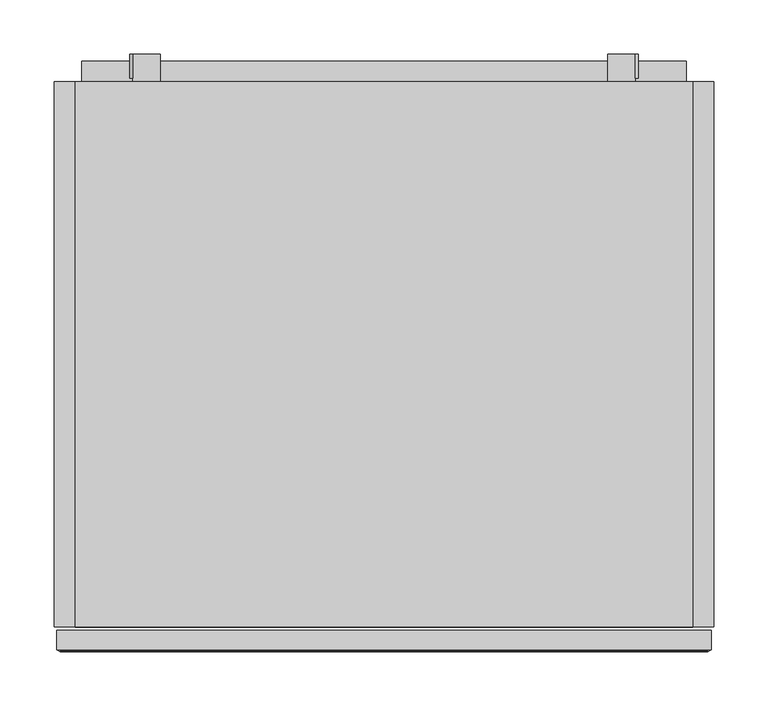
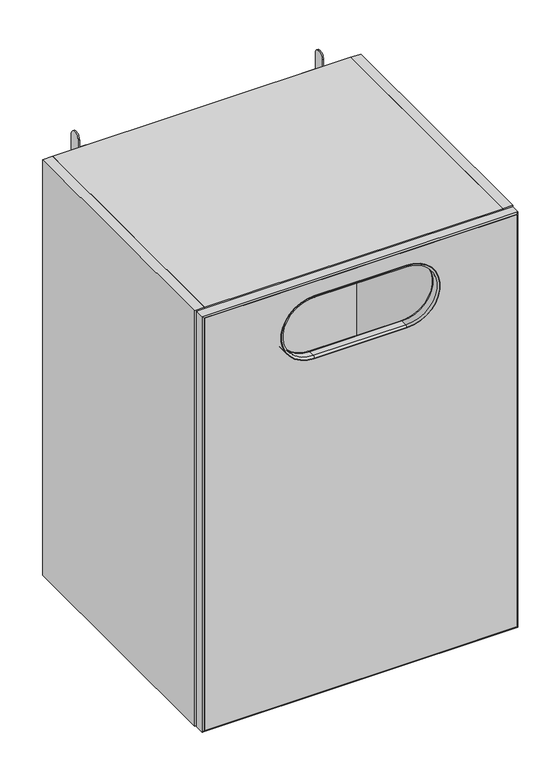
"""IFC4 building model written with IfcOpenShell, lengths in millimetres: furniture geometry."""

import ifcopenshell
import ifcopenshell.guid

model = None  # the IFC model being written
_history = None  # IfcOwnerHistory: only IFC2X3 demands one
_inside = {}  # id of a spatial element -> (the spatial element, [elements in it])
_under = {}  # id of a project, library or spatial element -> (it, [spatial elements below it])
_declared = {}  # id of a project -> (the project, [libraries it declares])
_typed = {}  # id of a type object -> (the type object, [elements of that type])
_made_of = {}  # id of a material, layer set ... -> (it, [elements and type objects made of it])


def new_model(schema):
    """Start an empty IFC model of exactly this schema.

    Asked for "IFC4X3", IfcOpenShell would pick the latest addendum, in which some entities
    have other attributes; the version numbers below select the first issue.
    IFC2X3 requires an IfcOwnerHistory on every rooted entity: one is made here for all.
    """
    global model, _history
    if schema == "IFC4X3":
        model = ifcopenshell.file(schema_version=(4, 3, 0, 0))
    else:
        model = ifcopenshell.file(schema=schema)
    _inside.clear()
    _under.clear()
    _declared.clear()
    _typed.clear()
    _made_of.clear()
    _history = None
    if model.schema == "IFC2X3":
        org = make("IfcOrganization", Name="unknown")
        user = make(
            "IfcPersonAndOrganization",
            ThePerson=make("IfcPerson", FamilyName="unknown"),
            TheOrganization=org,
        )
        app = make(
            "IfcApplication",
            ApplicationDeveloper=org,
            Version="unknown",
            ApplicationFullName="unknown",
            ApplicationIdentifier="unknown",
        )
        _history = make(
            "IfcOwnerHistory",
            OwningUser=user,
            OwningApplication=app,
            ChangeAction="ADDED",
            CreationDate=0,
        )
    return model


def make(cls, **values):
    """One entity of the class cls with the attributes given. An attribute that is None is left unset."""
    return model.create_entity(
        cls, **{name: value for name, value in values.items() if value is not None}
    )


def rooted(cls, **values):
    """An entity with a GlobalId (a new one), such as an element, a storey or a relation."""
    return make(cls, GlobalId=ifcopenshell.guid.new(), OwnerHistory=_history, **values)


def si_unit(unit_type, name, prefix=None):
    """IfcSIUnit, for example si_unit("LENGTHUNIT", "METRE", prefix="MILLI")."""
    return make("IfcSIUnit", UnitType=unit_type, Prefix=prefix, Name=name)


def assignment(units):
    """IfcUnitAssignment: the units of a project."""
    return None if units is None else make("IfcUnitAssignment", Units=units)


def point(xyz):
    """IfcCartesianPoint."""
    return None if xyz is None else make("IfcCartesianPoint", Coordinates=xyz)


def direction(xyz):
    """IfcDirection."""
    return None if xyz is None else make("IfcDirection", DirectionRatios=xyz)


def frame(location, z_axis=None, x_axis=None):
    """IfcAxis2Placement3D, a coordinate frame: its origin and axes. An axis left out is left unset."""
    return make(
        "IfcAxis2Placement3D",
        Location=point(location),
        Axis=direction(z_axis),
        RefDirection=direction(x_axis),
    )


def frame_2d(location, x_axis=None):
    """IfcAxis2Placement2D, a coordinate frame in the plane: its origin and x axis."""
    return make(
        "IfcAxis2Placement2D", Location=point(location), RefDirection=direction(x_axis)
    )


def origin():
    """The frame at (0, 0, 0) with its axes left unset."""
    return frame((0.0, 0.0, 0.0))


def place(relative_to, where):
    """IfcLocalPlacement: puts the frame where relative to a parent placement (None: the world)."""
    return make(
        "IfcLocalPlacement", PlacementRelTo=relative_to, RelativePlacement=where
    )


def context(
    kind, dimensions, precision=None, world=None, true_north=None, identifier=None
):
    """IfcGeometricRepresentationContext, for example the 3D "Model" context."""
    return make(
        "IfcGeometricRepresentationContext",
        ContextIdentifier=identifier,
        ContextType=kind,
        CoordinateSpaceDimension=dimensions,
        Precision=precision,
        WorldCoordinateSystem=world,
        TrueNorth=true_north,
    )


def project(units=None, contexts=None):
    """IfcProject with its units and contexts."""
    return rooted(
        "IfcProject",
        Name="project",
        RepresentationContexts=contexts,
        UnitsInContext=assignment(units),
    )


def spatial(cls, under=None, at=None, **own):
    """A site, building, storey or space (cls), placed at a placement, below another one or the project."""
    s = rooted(cls, ObjectPlacement=at, **own)
    if under is not None:
        _under.setdefault(under.id(), (under, []))[1].append(s)
    return s


def polyline(points):
    """IfcPolyline through the points."""
    return make("IfcPolyline", Points=[point(p) for p in points])


def circle_curve(where, radius):
    """IfcCircle in the frame where."""
    return make("IfcCircle", Position=where, Radius=radius)


def ellipse_curve(where, semi_axis1, semi_axis2):
    """IfcEllipse in the frame where."""
    return make(
        "IfcEllipse", Position=where, SemiAxis1=semi_axis1, SemiAxis2=semi_axis2
    )


def trimmed(basis, trim1, trim2, sense, master):
    """IfcTrimmedCurve: the piece of a basis curve between two trims."""
    return make(
        "IfcTrimmedCurve",
        BasisCurve=basis,
        Trim1=trim1,
        Trim2=trim2,
        SenseAgreement=sense,
        MasterRepresentation=master,
    )


def segment(curve, same_sense, transition):
    """IfcCompositeCurveSegment."""
    return make(
        "IfcCompositeCurveSegment",
        Transition=transition,
        SameSense=same_sense,
        ParentCurve=curve,
    )


def composite_curve(segments, self_intersect=None):
    """IfcCompositeCurve: segments joined end to end."""
    return make("IfcCompositeCurve", Segments=segments, SelfIntersect=self_intersect)


def outline(outer, holes=None, kind="AREA"):
    """IfcArbitraryClosedProfileDef: a profile drawn as a closed curve; with holes, ...WithVoids."""
    if holes is None:
        return make("IfcArbitraryClosedProfileDef", ProfileType=kind, OuterCurve=outer)
    return make(
        "IfcArbitraryProfileDefWithVoids",
        ProfileType=kind,
        OuterCurve=outer,
        InnerCurves=holes,
    )


def extrude(swept, where, along, depth):
    """IfcExtrudedAreaSolid: the profile swept, set in the frame where, extruded along a direction by depth."""
    return make(
        "IfcExtrudedAreaSolid",
        SweptArea=swept,
        Position=where,
        ExtrudedDirection=direction(along),
        Depth=depth,
    )


def faces_of(points, faces, orient=None, outer=None):
    """IfcFace entities. A face is a list of loops; a loop is a list of indices into points, from 0.

    orient and outer hold one flag for each loop. By default every Orientation is true, the
    first loop of a face is its IfcFaceOuterBound and the others are IfcFaceBound.
    """
    made = []
    for i, loops in enumerate(faces):
        bounds = []
        for j, loop in enumerate(loops):
            is_outer = j == 0 if outer is None else outer[i][j]
            bounds.append(
                make(
                    "IfcFaceOuterBound" if is_outer else "IfcFaceBound",
                    Bound=make("IfcPolyLoop", Polygon=[points[k] for k in loop]),
                    Orientation=True if orient is None else orient[i][j],
                )
            )
        made.append(make("IfcFace", Bounds=bounds))
    return made


def faceted_brep(points, faces, orient=None, outer=None, voids=None):
    """IfcFacetedBrep: a solid bounded by flat faces; with voids (closed shells), ...WithVoids."""
    shared = [point(p) for p in points]
    hull = make("IfcClosedShell", CfsFaces=faces_of(shared, faces, orient, outer))
    if voids is None:
        return make("IfcFacetedBrep", Outer=hull)
    return make(
        "IfcFacetedBrepWithVoids",
        Outer=hull,
        Voids=[
            make(cls, CfsFaces=faces_of(shared, fs, o, b)) for cls, fs, o, b in voids
        ],
    )


def shape(context_of_items, identifier, shape_type, items):
    """IfcShapeRepresentation: the items that make up one representation, for example the "Body"."""
    return make(
        "IfcShapeRepresentation",
        ContextOfItems=context_of_items,
        RepresentationIdentifier=identifier,
        RepresentationType=shape_type,
        Items=items,
    )


def source(mapping_origin, context_of_items, identifier, shape_type, items):
    """IfcRepresentationMap: a shape defined once, which mapped items show again and again."""
    return make(
        "IfcRepresentationMap",
        MappingOrigin=mapping_origin,
        MappedRepresentation=shape(context_of_items, identifier, shape_type, items),
    )


def transform(
    local_origin,
    x_axis=None,
    y_axis=None,
    z_axis=None,
    scale=None,
    scale2=None,
    scale3=None,
    uniform=True,
):
    """IfcCartesianTransformationOperator3D, or its non-uniform kind. x_axis, y_axis, z_axis: its Axis1, 2, 3."""
    if uniform:
        return make(
            "IfcCartesianTransformationOperator3D",
            Axis1=direction(x_axis),
            Axis2=direction(y_axis),
            LocalOrigin=point(local_origin),
            Scale=scale,
            Axis3=direction(z_axis),
        )
    return make(
        "IfcCartesianTransformationOperator3DnonUniform",
        Axis1=direction(x_axis),
        Axis2=direction(y_axis),
        LocalOrigin=point(local_origin),
        Scale=scale,
        Axis3=direction(z_axis),
        Scale2=scale2,
        Scale3=scale3,
    )


def mapped(mapping_source, mapping_target):
    """IfcMappedItem: shows the shape of a source again, moved by a transform."""
    return make(
        "IfcMappedItem", MappingSource=mapping_source, MappingTarget=mapping_target
    )


def made_of(thing, what):
    """Note that an element or type object is made of a material, layer set ...; save() writes the relation."""
    if what is not None:
        _made_of.setdefault(what.id(), (what, []))[1].append(thing)
    return thing


def element(
    cls,
    number,
    at=None,
    inside=None,
    cuts=None,
    type_object=None,
    material=None,
    context=None,
    identifier="Body",
    shape_type=None,
    held_by="IfcProductDefinitionShape",
    body=None,
    shapes=None,
    **own,
):
    """One element of the class cls, such as IfcWall. Its Tag is "e" and its number.

    at: its placement. inside: the storey or other place that contains it. cuts: it is an
    opening in that element (IfcRelVoidsElement). A single representation is given by context,
    identifier, shape_type and body (its items); several are given by shapes. held_by: the class
    of the entity that holds the representations. save() writes the other relations.
    """
    e = rooted(cls, Tag="e%d" % number, ObjectPlacement=at, **own)
    if body is not None:
        shapes = [shape(context, identifier, shape_type, body)]
    if shapes is not None:
        e.Representation = make(held_by, Representations=shapes)
    if inside is not None:
        _inside.setdefault(inside.id(), (inside, []))[1].append(e)
    if cuts is not None:
        rooted(
            "IfcRelVoidsElement", RelatingBuildingElement=cuts, RelatedOpeningElement=e
        )
    if type_object is not None:
        _typed.setdefault(type_object.id(), (type_object, []))[1].append(e)
    return made_of(e, material)


def aggregate(whole, parts):
    """IfcRelAggregates: a whole, such as a stair, and the parts it consists of."""
    return rooted("IfcRelAggregates", RelatingObject=whole, RelatedObjects=parts)


def save(model, path):
    """Write the relations noted so far, then the file.

    IfcRelAggregates (storeys below a building ...), IfcRelContainedInSpatialStructure (elements
    in a storey), IfcRelDefinesByType, IfcRelAssociatesMaterial and IfcRelDeclares: one each for
    every whole, place, type object, material and project.
    """
    for whole, parts in _under.values():
        aggregate(whole, parts)
    for where, things in _inside.values():
        rooted(
            "IfcRelContainedInSpatialStructure",
            RelatedElements=things,
            RelatingStructure=where,
        )
    for kind, things in _typed.values():
        rooted("IfcRelDefinesByType", RelatedObjects=things, RelatingType=kind)
    for what, things in _made_of.values():
        rooted("IfcRelAssociatesMaterial", RelatedObjects=things, RelatingMaterial=what)
    for by, libraries in _declared.values():
        rooted("IfcRelDeclares", RelatingContext=by, RelatedDefinitions=libraries)
    model.write(path)


def plane_surface(at):
    """IfcPlane: the flat surface through the origin of the frame at, square to its z axis."""
    return make("IfcPlane", Position=at)


def cylinder_surface(at, radius):
    """IfcCylindricalSurface: all points at the distance radius from the z axis of the frame at."""
    return make("IfcCylindricalSurface", Position=at, Radius=radius)


def revolved_surface(curve, axis_point, axis_direction):
    """IfcSurfaceOfRevolution: the curve turned about the line through axis_point along axis_direction."""
    return make(
        "IfcSurfaceOfRevolution",
        SweptCurve=make("IfcArbitraryOpenProfileDef", ProfileType="CURVE", Curve=curve),
        AxisPosition=make("IfcAxis1Placement", Location=point(axis_point), Axis=direction(axis_direction)),
    )


def advanced_brep(points, edges, surfaces, faces):
    """IfcAdvancedBrep: a solid bounded by faces that lie on surfaces and meet in shared edges.

    An edge is (start, end): straight between two places in points (the first is 0);
    or (start, end, curve); or (start, end, curve, False) where it runs against its curve.
    A face is (place in surfaces, loops), or (place, loops, False) where it looks against
    its surface's normal. A loop lists edges by number (the first is 1), with a minus sign
    where the edge is run from its end to its start. The first loop is the outer one.
    """
    corners = [point(p) for p in points]
    vertices = [make("IfcVertexPoint", VertexGeometry=c) for c in corners]
    made = []
    for start, end, *more in edges:
        made.append(
            make(
                "IfcEdgeCurve",
                EdgeStart=vertices[start],
                EdgeEnd=vertices[end],
                EdgeGeometry=more[0] if more else make("IfcPolyline", Points=[corners[start], corners[end]]),
                SameSense=more[1] if len(more) > 1 else True,
            )
        )
    hull = []
    for where, loops, *sense in faces:
        bounds = []
        for j, loop in enumerate(loops):
            ring = [make("IfcOrientedEdge", EdgeElement=made[abs(k) - 1], Orientation=k > 0) for k in loop]
            bounds.append(
                make(
                    "IfcFaceOuterBound" if j == 0 else "IfcFaceBound",
                    Bound=make("IfcEdgeLoop", EdgeList=ring),
                    Orientation=True,
                )
            )
        hull.append(make("IfcAdvancedFace", Bounds=bounds, FaceSurface=surfaces[where], SameSense=sense[0] if sense else True))
    return make("IfcAdvancedBrep", Outer=make("IfcClosedShell", CfsFaces=hull))


def furniture_63a706bb(model_context):
    return source(origin(), model_context, "Body", "SolidModel", [
        advanced_brep(
        [(165.0999758, -510.7435387, 904.60767), (165.0999758, -510.7435387, 786.6360832), (165.0999758, -507.4920005, 783.384545), (165.0999758, -507.4920005, 907.8592082), (165.0999758, -523.7984618, 904.60767), (165.0999758, -523.7984618, 786.6360832), (165.0999758, -527.05, 907.8592082), (165.0999758, -527.05, 783.384545), (165.0999758, -507.4920005, 909.1218751), (165.0999758, -507.4920005, 782.1218781), (165.0999758, -527.05, 782.1218781), (165.0999758, -527.05, 909.1218751), (342.8999758, -507.4920005, 907.8592082), (342.8999758, -510.7435387, 904.60767), (342.8999758, -523.7984618, 904.60767), (342.8999758, -527.05, 907.8592082), (342.8999758, -527.05, 909.1218751), (342.8999758, -507.4920005, 909.1218751), (342.8999758, -510.7435387, 786.6360832), (342.8999758, -507.4920005, 783.384545), (342.8999758, -523.7984618, 786.6360832), (342.8999758, -527.05, 783.384545), (342.8999758, -507.4920005, 782.1218781), (342.8999758, -527.05, 782.1218781)],
        [
            (0, 1, circle_curve(frame((165.0999758, -510.7435387, 845.6218766), z_axis=(0.0, -1.0, 0.0), x_axis=(0.0, 0.0, -1.0)), 58.9857934)),
            (1, 2, circle_curve(frame((165.0999758, -510.7435387, 783.384545), z_axis=(-1.0, 0.0, 0.0), x_axis=(0.0, -1.0, 0.0)), 3.2515382)),
            (2, 3, circle_curve(frame((165.0999758, -507.4920005, 845.6218766), z_axis=(0.0, 1.0, 0.0), x_axis=(0.0, 0.0, -1.0)), 62.2373316)),
            (3, 0, circle_curve(frame((165.0999758, -510.7435387, 907.8592082), z_axis=(-1.0, 0.0, 0.0), x_axis=(0.0, -1.0, 0.0)), 3.2515382)),
            (4, 5, circle_curve(frame((165.0999758, -523.7984618, 845.6218766), z_axis=(0.0, -1.0, 0.0), x_axis=(0.0, 0.0, -1.0)), 58.9857934)),
            (5, 1),
            (0, 4),
            (6, 7, circle_curve(frame((165.0999758, -527.05, 845.6218766), z_axis=(0.0, -1.0, 0.0), x_axis=(0.0, 0.0, -1.0)), 62.2373316)),
            (7, 5, circle_curve(frame((165.0999758, -523.7984618, 783.384545), z_axis=(-1.0, 0.0, 0.0), x_axis=(0.0, -1.0, 0.0)), 3.2515382)),
            (4, 6, circle_curve(frame((165.0999758, -523.7984618, 907.8592082), z_axis=(-1.0, 0.0, 0.0), x_axis=(0.0, -1.0, 0.0)), 3.2515382)),
            (8, 9, circle_curve(frame((165.0999758, -507.4920005, 845.6218766), z_axis=(0.0, -1.0, 0.0), x_axis=(0.0, 0.0, -1.0)), 63.4999985)),
            (9, 10),
            (10, 11, circle_curve(frame((165.0999758, -527.05, 845.6218766), z_axis=(0.0, 1.0, 0.0), x_axis=(0.0, 0.0, -1.0)), 63.4999985)),
            (11, 8),
            (3, 12),
            (12, 13, circle_curve(frame((342.8999758, -510.7435387, 907.8592082), z_axis=(-1.0, 0.0, 0.0), x_axis=(0.0, -1.0, 0.0)), 3.2515382)),
            (13, 0),
            (13, 14),
            (14, 4),
            (14, 15, circle_curve(frame((342.8999758, -523.7984618, 907.8592082), z_axis=(-1.0, 0.0, 0.0), x_axis=(0.0, -1.0, 0.0)), 3.2515382)),
            (15, 6),
            (11, 16),
            (16, 17),
            (17, 8),
            (18, 13, circle_curve(frame((342.8999758, -510.7435387, 845.6218766), z_axis=(0.0, -1.0, 0.0), x_axis=(0.0, 0.0, 1.0)), 58.9857934)),
            (12, 19, circle_curve(frame((342.8999758, -507.4920005, 845.6218766), z_axis=(0.0, 1.0, 0.0), x_axis=(0.0, 0.0, 1.0)), 62.2373316)),
            (19, 18, circle_curve(frame((342.8999758, -510.7435387, 783.384545), z_axis=(1.0, 0.0, 0.0), x_axis=(0.0, -1.0, 0.0)), 3.2515382)),
            (20, 14, circle_curve(frame((342.8999758, -523.7984618, 845.6218766), z_axis=(0.0, -1.0, 0.0), x_axis=(0.0, 0.0, 1.0)), 58.9857934)),
            (18, 20),
            (21, 15, circle_curve(frame((342.8999758, -527.05, 845.6218766), z_axis=(0.0, -1.0, 0.0), x_axis=(0.0, 0.0, 1.0)), 62.2373316)),
            (20, 21, circle_curve(frame((342.8999758, -523.7984618, 783.384545), z_axis=(1.0, 0.0, 0.0), x_axis=(0.0, -1.0, 0.0)), 3.2515382)),
            (22, 17, circle_curve(frame((342.8999758, -507.4920005, 845.6218766), z_axis=(0.0, -1.0, 0.0), x_axis=(0.0, 0.0, 1.0)), 63.4999985)),
            (16, 23, circle_curve(frame((342.8999758, -527.05, 845.6218766), z_axis=(0.0, 1.0, 0.0), x_axis=(0.0, 0.0, 1.0)), 63.4999985)),
            (23, 22),
            (22, 9),
            (2, 19),
            (1, 18),
            (5, 20),
            (7, 21),
            (10, 23),
        ],
        [
            revolved_surface(trimmed(ellipse_curve(frame((165.0999758, -510.7435387, 783.384545), z_axis=(1.0, 0.0, 0.0), x_axis=(0.0, -1.0, 0.0)), 3.2515382, 3.2515382), [point((165.0999758, -507.4920005, 783.384545))], [point((165.0999758, -510.7435387, 786.6360832))], True, "CARTESIAN"), (165.0999758, -527.05, 845.6218766), (0.0, 1.0, 0.0)),
            revolved_surface(polyline([(165.0999758, -510.7435387, 786.6360831999999), (165.0999758, -523.7984618, 786.6360831999999)]), (165.0999758, -527.05, 845.6218766), (0.0, 1.0, 0.0)),
            revolved_surface(trimmed(ellipse_curve(frame((165.0999758, -523.7984618, 783.384545), z_axis=(1.0, 0.0, 0.0), x_axis=(0.0, -1.0, 0.0)), 3.2515382, 3.2515382), [point((165.0999758, -523.7984618, 786.6360832))], [point((165.0999758, -527.05, 783.384545))], True, "CARTESIAN"), (165.0999758, -527.05, 845.6218766), (0.0, 1.0, 0.0)),
            cylinder_surface(frame((165.0999758, -527.05, 845.6218766), z_axis=(0.0, 1.0, 0.0), x_axis=(0.0, 0.0, -1.0)), 63.4999985),
            cylinder_surface(frame((165.0999758, -510.7435387, 907.8592082), z_axis=(-1.0, 0.0, 0.0), x_axis=(0.0, -1.0, 0.0)), 3.2515382),
            plane_surface(frame((165.0999758, -510.7435387, 904.60767), z_axis=(0.0, 0.0, -1.0), x_axis=(1.0, 0.0, 0.0))),
            cylinder_surface(frame((165.0999758, -523.7984618, 907.8592082), z_axis=(-1.0, 0.0, 0.0), x_axis=(0.0, -1.0, 0.0)), 3.2515382),
            plane_surface(frame((165.0999758, -527.05, 909.1218751), z_axis=(0.0, 0.0, 1.0), x_axis=(1.0, 0.0, 0.0))),
            revolved_surface(trimmed(ellipse_curve(frame((342.8999758, -510.7435387, 907.8592082), z_axis=(-1.0, 0.0, 0.0), x_axis=(0.0, -1.0, 0.0)), 3.2515382, 3.2515382), [point((342.8999758, -507.4920005, 907.8592082))], [point((342.8999758, -510.7435387, 904.60767))], True, "CARTESIAN"), (342.8999758, -527.05, 845.6218766), (0.0, 1.0, 0.0)),
            revolved_surface(polyline([(342.8999758, -510.7435387, 904.60767), (342.8999758, -523.7984618, 904.60767)]), (342.8999758, -527.05, 845.6218766), (0.0, 1.0, 0.0)),
            revolved_surface(trimmed(ellipse_curve(frame((342.8999758, -523.7984618, 907.8592082), z_axis=(-1.0, 0.0, 0.0), x_axis=(0.0, -1.0, 0.0)), 3.2515382, 3.2515382), [point((342.8999758, -523.7984618, 904.60767))], [point((342.8999758, -527.05, 907.8592082))], True, "CARTESIAN"), (342.8999758, -527.05, 845.6218766), (0.0, 1.0, 0.0)),
            cylinder_surface(frame((342.8999758, -527.05, 845.6218766), z_axis=(0.0, 1.0, 0.0), x_axis=(0.0, 0.0, 1.0)), 63.4999985),
            plane_surface(frame((342.8999758, -507.4920005, 782.1218781), z_axis=(0.0, 1.0, 0.0), x_axis=(-1.0, 0.0, 0.0))),
            cylinder_surface(frame((342.8999758, -510.7435387, 783.384545), z_axis=(1.0, 0.0, 0.0), x_axis=(0.0, -1.0, 0.0)), 3.2515382),
            plane_surface(frame((342.8999758, -510.7435387, 786.6360832), z_axis=(0.0, 0.0, 1.0), x_axis=(-1.0, 0.0, 0.0))),
            cylinder_surface(frame((342.8999758, -523.7984618, 783.384545), z_axis=(1.0, 0.0, 0.0), x_axis=(0.0, -1.0, 0.0)), 3.2515382),
            plane_surface(frame((342.8999758, -527.05, 783.384545), z_axis=(0.0, -1.0, 0.0), x_axis=(-1.0, 0.0, 0.0))),
            plane_surface(frame((342.8999758, -527.05, 782.1218781), z_axis=(0.0, 0.0, -1.0), x_axis=(-1.0, 0.0, 0.0))),
        ],
        [
            (0, [[1, 2, 3, 4]]),
            (1, [[5, 6, -1, 7]]),
            (2, [[8, 9, -5, 10]]),
            (3, [[11, 12, 13, 14]]),
            (4, [[-4, 15, 16, 17]]),
            (5, [[-7, -17, 18, 19]]),
            (6, [[-10, -19, 20, 21]]),
            (7, [[-14, 22, 23, 24]]),
            (8, [[25, -16, 26, 27]]),
            (9, [[28, -18, -25, 29]]),
            (10, [[30, -20, -28, 31]]),
            (11, [[32, -23, 33, 34]]),
            (12, [[-24, -32, 35, -11], [36, -26, -15, -3]]),
            (13, [[-27, -36, -2, 37]]),
            (14, [[-29, -37, -6, 38]]),
            (15, [[-31, -38, -9, 39]]),
            (16, [[40, -33, -22, -13], [-21, -30, -39, -8]]),
            (17, [[-34, -40, -12, -35]]),
        ],
    ),
        extrude(outline(polyline([(937.6968796, 553.2504599), (937.6968796, -45.2751298), (103.5608316, -45.2751298), (103.5608316, 553.2504599), (937.6968796, 553.2504599)]), holes=[composite_curve([segment(polyline([(782.1218781, 342.8999758), (782.1218781, 165.0999758)]), True, "CONTINUOUS"), segment(trimmed(circle_curve(frame_2d((845.6218766, 165.0999758)), 63.4999985), [point((782.1218781, 165.0999758))], [point((909.1218751, 165.0999758))], True, "CARTESIAN"), True, "CONTINUOUS"), segment(polyline([(909.1218751, 165.0999758), (909.1218751, 342.8999758)]), True, "CONTINUOUS"), segment(trimmed(circle_curve(frame_2d((845.6218766, 342.8999758)), 63.4999985), [point((909.1218751, 342.8999758))], [point((782.1218781, 342.8999758))], True, "CARTESIAN"), True, "CONTINUOUS")], self_intersect=False)]), frame((0.0, -527.05, 0.0), z_axis=(0.0, 1.0, 0.0), x_axis=(0.0, 0.0, 1.0)), (0.0, 0.0, 1.0), 19.5579995),
        extrude(outline(composite_curve([segment(polyline([(3.1758017, 918.7746971), (3.1758017, 953.0979052)]), True, "CONTINUOUS"), segment(trimmed(circle_curve(frame_2d((14.2883021, 953.0979052)), 11.1125003), [point((3.1758017, 953.0979052))], [point((25.4008024, 953.0979052))], False, "CARTESIAN"), True, "CONTINUOUS"), segment(polyline([(25.4008024, 953.0979052), (25.4008024, 918.7746971), (3.1758017, 918.7746971)]), True, "CONTINUOUS")], self_intersect=False)), frame((486.2822001, 0.0, 0.0), z_axis=(1.0, 0.0, 0.0), x_axis=(0.0, 1.0, 0.0)), (0.0, 0.0, 1.0), 2.6669997),
        extrude(outline(composite_curve([segment(polyline([(3.1758017, 918.7746971), (3.1758017, 953.0979052)]), True, "CONTINUOUS"), segment(trimmed(circle_curve(frame_2d((14.2883021, 953.0979052)), 11.1125003), [point((3.1758017, 953.0979052))], [point((25.4008024, 953.0979052))], False, "CARTESIAN"), True, "CONTINUOUS"), segment(polyline([(25.4008024, 953.0979052), (25.4008024, 918.7746971), (3.1758017, 918.7746971)]), True, "CONTINUOUS")], self_intersect=False)), frame((19.050763, 0.0, 0.0), z_axis=(1.0, 0.0, 0.0), x_axis=(0.0, 1.0, 0.0)), (0.0, 0.0, 1.0), 2.6669997),
        extrude(outline(polyline([(1.905, 154.8686009), (1.905, 119.9431165), (0.0, 119.9431165), (0.0, 156.7735719), (19.0505836, 156.7735719), (19.0505836, 132.6435767), (17.1455843, 132.6435767), (17.1455843, 154.8686009), (1.905, 154.8686009)])), frame((-25.4125136, 0.0, 0.0), z_axis=(1.0, 0.0, 0.0), x_axis=(0.0, 1.0, 0.0)), (0.0, 0.0, 1.0), 558.8249765),
        extrude(outline(polyline([(539.2427756, 0.0), (539.2427756, -19.5571979), (-31.2428422, -19.5571979), (-31.2428422, 0.0), (539.2427756, 0.0)])), frame((0.0, 0.0, 119.9431165), z_axis=(0.0, 0.0, 1.0), x_axis=(1.0, 0.0, 0.0)), (0.0, 0.0, 1.0), 801.3715249),
        extrude(outline(polyline([(539.2427756, 0.0), (539.2427756, -504.3275134), (-31.2428422, -504.3275134), (-31.2428422, 0.0), (539.2427756, 0.0)])), frame((0.0, 0.0, 100.38588), z_axis=(0.0, 0.0, 1.0), x_axis=(1.0, 0.0, 0.0)), (0.0, 0.0, 1.0), 19.5572365),
        extrude(outline(polyline([(539.2427756, 0.0), (539.2427756, -504.3275134), (-31.2428422, -504.3275134), (-31.2428422, 0.0), (539.2427756, 0.0)])), frame((0.0, 0.0, 921.3146413), z_axis=(0.0, 0.0, 1.0), x_axis=(1.0, 0.0, 0.0)), (0.0, 0.0, 1.0), 19.557182),
        extrude(outline(polyline([(460.882188, 0.0), (460.882188, 25.4008024), (486.2822001, 25.4008024), (486.2822001, 0.0), (460.882188, 0.0)])), frame((0.0, 0.0, 918.7746971), z_axis=(0.0, 0.0, 1.0), x_axis=(1.0, 0.0, 0.0)), (0.0, 0.0, 1.0), 2.5399976),
        extrude(outline(polyline([(-50.8000242, 0.0), (-31.2428422, 0.0), (-31.2428422, -504.3275134), (-50.8000242, -504.3275134), (-50.8000242, 0.0)])), frame((0.0, 0.0, 100.38588), z_axis=(0.0, 0.0, 1.0), x_axis=(1.0, 0.0, 0.0)), (0.0, 0.0, 1.0), 840.4859966),
        extrude(outline(polyline([(539.2427756, 0.0), (558.7999758, 0.0), (558.7999758, -504.3275134), (539.2427756, -504.3275134), (539.2427756, 0.0)])), frame((0.0, 0.0, 100.38588), z_axis=(0.0, 0.0, 1.0), x_axis=(1.0, 0.0, 0.0)), (0.0, 0.0, 1.0), 840.4859966),
        faceted_brep([(556.4254841, -507.4920005, 940.8718766), (556.4254841, -525.216936, 940.8718766), (556.4254841, -525.216936, 100.38588), (556.4254841, -507.4920005, 100.38588), (553.2504871, -527.05, 937.6968796), (553.2504871, -527.05, 103.560877), (-48.4501268, -525.216936, 100.38588), (-48.4501268, -507.4920005, 100.38588), (-45.2751298, -527.05, 103.560877), (-48.4501268, -525.216936, 940.8718766), (-48.4501268, -507.4920005, 940.8718766), (-45.2751298, -527.05, 937.6968796), (553.2504871, -507.4920005, 937.6968796), (-45.2751298, -507.4920005, 937.6968796), (-45.2751298, -507.4920005, 103.560877), (553.2504871, -507.4920005, 103.560877)], [[[0, 1, 2, 3]], [[1, 4, 5, 2]], [[3, 2, 6, 7]], [[2, 5, 8, 6]], [[7, 6, 9, 10]], [[6, 8, 11, 9]], [[10, 9, 1, 0]], [[3, 7, 10, 0], [12, 13, 14, 15]], [[9, 11, 4, 1]], [[4, 12, 15, 5]], [[5, 15, 14, 8]], [[8, 14, 13, 11]], [[11, 13, 12, 4]]]),
        extrude(outline(polyline([(47.1177635, 25.4008024), (47.1177635, 0.0), (21.7177628, 0.0), (21.7177628, 25.4008024), (47.1177635, 25.4008024)])), frame((0.0, 0.0, 918.7746971), z_axis=(0.0, 0.0, 1.0), x_axis=(1.0, 0.0, 0.0)), (0.0, 0.0, 1.0), 2.5399976),
    ])


if __name__ == "__main__":
    model = new_model("IFC4")
    model_context = context("Model", 3, world=origin())
    ifc_project = project(units=[si_unit("LENGTHUNIT", "METRE", prefix="MILLI")], contexts=[model_context])
    site = spatial("IfcSite", under=ifc_project)
    building = spatial("IfcBuilding", under=site)
    placement = place(None, origin())
    furniture_shape = furniture_63a706bb(model_context)
    element("IfcFurniture", 1, at=placement, inside=building, context=model_context, shape_type="MappedRepresentation", body=[
        mapped(furniture_shape, transform((0.0, 0.0, 0.0), x_axis=(1.0, 0.0, 0.0), y_axis=(0.0, 1.0, 0.0), z_axis=(0.0, 0.0, 1.0))),
    ])
    save(model, "model.ifc")
